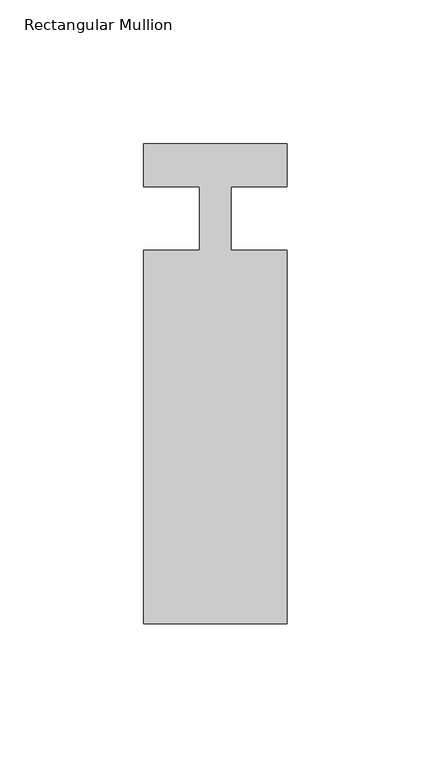
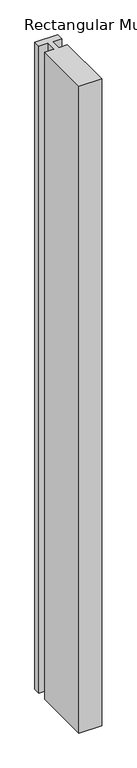
"""IFC4 building model written with IfcOpenShell, lengths in millimetres: member geometry, Rectangular Mullion."""

from ifc_helpers import new_model, si_unit, frame, origin, place, context, project, spatial, polyline, outline, extrude, source, transform, mapped, element, save


def rectangular_mullion_ad490794(model_context):
    return source(origin(), model_context, "Body", "SweptSolid", [
        extrude(outline(polyline([(0.0, -141.0), (-50.0, -141.0), (-50.0, -11.0), (-30.4999998, -11.0), (-30.4999998, 11.0), (-50.0, 11.0), (-50.0, 26.0), (0.0, 26.0), (0.0, 11.0), (-19.5, 11.0), (-19.5, -11.0), (0.0, -11.0), (0.0, -141.0)])), frame((0.0, 0.0, -1500.0), z_axis=(0.0, 0.0, 1.0), x_axis=(1.0, 0.0, 0.0)), (0.0, 0.0, 1.0), 1500.0),
    ])


if __name__ == "__main__":
    model = new_model("IFC4")
    model_context = context("Model", 3, world=origin())
    ifc_project = project(units=[si_unit("LENGTHUNIT", "METRE", prefix="MILLI")], contexts=[model_context])
    site = spatial("IfcSite", under=ifc_project)
    building = spatial("IfcBuilding", under=site)
    placement = place(None, origin())
    rectangular_mullion_shape = rectangular_mullion_ad490794(model_context)
    element("IfcMember", 1, ObjectType="Rectangular Mullion", at=placement, inside=building, context=model_context, shape_type="MappedRepresentation", body=[
        mapped(rectangular_mullion_shape, transform((0.0, 0.0, 0.0), x_axis=(1.0, 0.0, 0.0), y_axis=(0.0, 1.0, 0.0), z_axis=(0.0, 0.0, 1.0))),
    ])
    save(model, "model.ifc")
